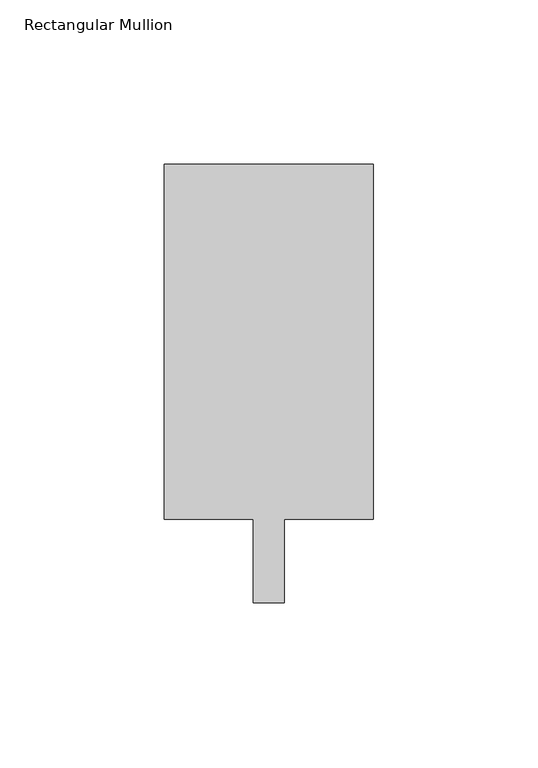
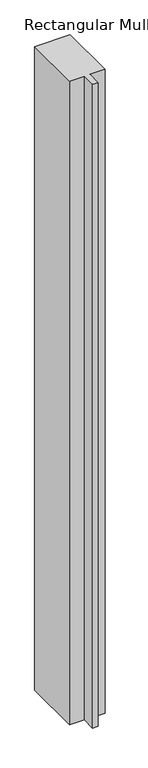
"""IFC4 building model written with IfcOpenShell, lengths in millimetres: member geometry, Rectangular Mullion."""

from ifc_helpers import new_model, si_unit, frame, origin, place, context, project, spatial, polyline, outline, extrude, source, transform, mapped, element, save


def rectangular_mullion_a26488ea(model_context):
    return source(origin(), model_context, "Body", "SweptSolid", [
        extrude(outline(polyline([(-4.7625, 12.7), (-31.75, 12.7), (-31.75, 120.65), (31.75, 120.65), (31.75, 12.7), (4.7625, 12.7), (4.7625, -12.7), (-4.7625, -12.7), (-4.7625, 12.7)])), frame((0.0, 0.0, -1219.2), z_axis=(0.0, 0.0, 1.0), x_axis=(1.0, 0.0, 0.0)), (0.0, 0.0, 1.0), 1219.2),
    ])


if __name__ == "__main__":
    model = new_model("IFC4")
    model_context = context("Model", 3, world=origin())
    ifc_project = project(units=[si_unit("LENGTHUNIT", "METRE", prefix="MILLI")], contexts=[model_context])
    site = spatial("IfcSite", under=ifc_project)
    building = spatial("IfcBuilding", under=site)
    placement = place(None, origin())
    rectangular_mullion_shape = rectangular_mullion_a26488ea(model_context)
    element("IfcMember", 1, ObjectType="Rectangular Mullion", at=placement, inside=building, context=model_context, shape_type="MappedRepresentation", body=[
        mapped(rectangular_mullion_shape, transform((0.0, 0.0, 0.0), x_axis=(1.0, 0.0, 0.0), y_axis=(0.0, 1.0, 0.0), z_axis=(0.0, 0.0, 1.0))),
    ])
    save(model, "model.ifc")
